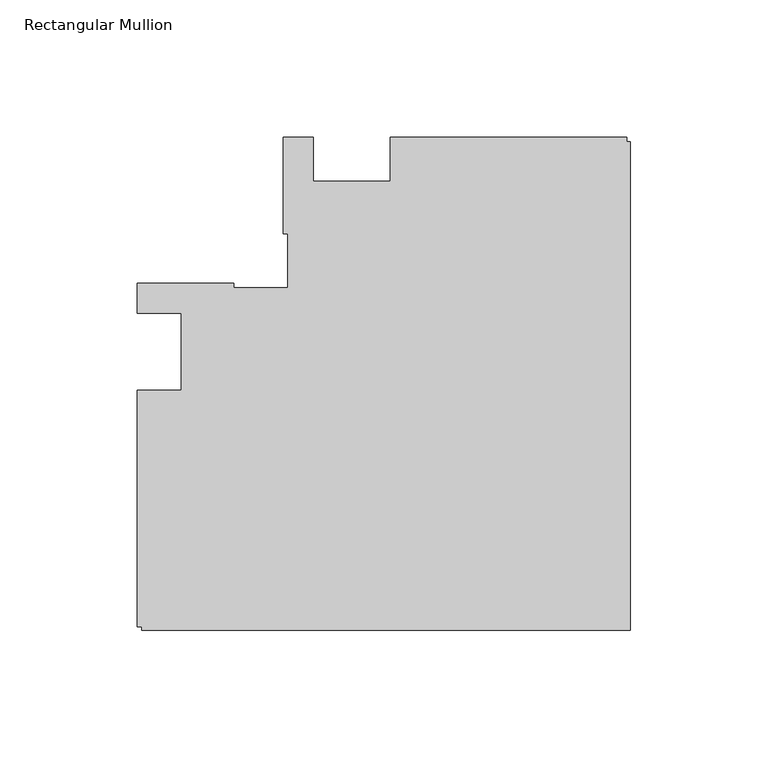
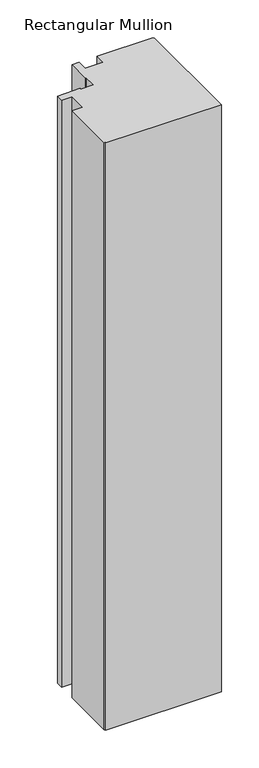
"""IFC4 building model written with IfcOpenShell, lengths in millimetres: member geometry, Rectangular Mullion."""

import ifcopenshell
import ifcopenshell.guid

model = None  # the IFC model being written
_history = None  # IfcOwnerHistory: only IFC2X3 demands one
_inside = {}  # id of a spatial element -> (the spatial element, [elements in it])
_under = {}  # id of a project, library or spatial element -> (it, [spatial elements below it])
_declared = {}  # id of a project -> (the project, [libraries it declares])
_typed = {}  # id of a type object -> (the type object, [elements of that type])
_made_of = {}  # id of a material, layer set ... -> (it, [elements and type objects made of it])


def new_model(schema):
    """Start an empty IFC model of exactly this schema.

    Asked for "IFC4X3", IfcOpenShell would pick the latest addendum, in which some entities
    have other attributes; the version numbers below select the first issue.
    IFC2X3 requires an IfcOwnerHistory on every rooted entity: one is made here for all.
    """
    global model, _history
    if schema == "IFC4X3":
        model = ifcopenshell.file(schema_version=(4, 3, 0, 0))
    else:
        model = ifcopenshell.file(schema=schema)
    _inside.clear()
    _under.clear()
    _declared.clear()
    _typed.clear()
    _made_of.clear()
    _history = None
    if model.schema == "IFC2X3":
        org = make("IfcOrganization", Name="unknown")
        user = make(
            "IfcPersonAndOrganization",
            ThePerson=make("IfcPerson", FamilyName="unknown"),
            TheOrganization=org,
        )
        app = make(
            "IfcApplication",
            ApplicationDeveloper=org,
            Version="unknown",
            ApplicationFullName="unknown",
            ApplicationIdentifier="unknown",
        )
        _history = make(
            "IfcOwnerHistory",
            OwningUser=user,
            OwningApplication=app,
            ChangeAction="ADDED",
            CreationDate=0,
        )
    return model


def make(cls, **values):
    """One entity of the class cls with the attributes given. An attribute that is None is left unset."""
    return model.create_entity(
        cls, **{name: value for name, value in values.items() if value is not None}
    )


def rooted(cls, **values):
    """An entity with a GlobalId (a new one), such as an element, a storey or a relation."""
    return make(cls, GlobalId=ifcopenshell.guid.new(), OwnerHistory=_history, **values)


def si_unit(unit_type, name, prefix=None):
    """IfcSIUnit, for example si_unit("LENGTHUNIT", "METRE", prefix="MILLI")."""
    return make("IfcSIUnit", UnitType=unit_type, Prefix=prefix, Name=name)


def assignment(units):
    """IfcUnitAssignment: the units of a project."""
    return None if units is None else make("IfcUnitAssignment", Units=units)


def point(xyz):
    """IfcCartesianPoint."""
    return None if xyz is None else make("IfcCartesianPoint", Coordinates=xyz)


def direction(xyz):
    """IfcDirection."""
    return None if xyz is None else make("IfcDirection", DirectionRatios=xyz)


def frame(location, z_axis=None, x_axis=None):
    """IfcAxis2Placement3D, a coordinate frame: its origin and axes. An axis left out is left unset."""
    return make(
        "IfcAxis2Placement3D",
        Location=point(location),
        Axis=direction(z_axis),
        RefDirection=direction(x_axis),
    )


def origin():
    """The frame at (0, 0, 0) with its axes left unset."""
    return frame((0.0, 0.0, 0.0))


def place(relative_to, where):
    """IfcLocalPlacement: puts the frame where relative to a parent placement (None: the world)."""
    return make(
        "IfcLocalPlacement", PlacementRelTo=relative_to, RelativePlacement=where
    )


def context(
    kind, dimensions, precision=None, world=None, true_north=None, identifier=None
):
    """IfcGeometricRepresentationContext, for example the 3D "Model" context."""
    return make(
        "IfcGeometricRepresentationContext",
        ContextIdentifier=identifier,
        ContextType=kind,
        CoordinateSpaceDimension=dimensions,
        Precision=precision,
        WorldCoordinateSystem=world,
        TrueNorth=true_north,
    )


def project(units=None, contexts=None):
    """IfcProject with its units and contexts."""
    return rooted(
        "IfcProject",
        Name="project",
        RepresentationContexts=contexts,
        UnitsInContext=assignment(units),
    )


def spatial(cls, under=None, at=None, **own):
    """A site, building, storey or space (cls), placed at a placement, below another one or the project."""
    s = rooted(cls, ObjectPlacement=at, **own)
    if under is not None:
        _under.setdefault(under.id(), (under, []))[1].append(s)
    return s


def polyline(points):
    """IfcPolyline through the points."""
    return make("IfcPolyline", Points=[point(p) for p in points])


def outline(outer, holes=None, kind="AREA"):
    """IfcArbitraryClosedProfileDef: a profile drawn as a closed curve; with holes, ...WithVoids."""
    if holes is None:
        return make("IfcArbitraryClosedProfileDef", ProfileType=kind, OuterCurve=outer)
    return make(
        "IfcArbitraryProfileDefWithVoids",
        ProfileType=kind,
        OuterCurve=outer,
        InnerCurves=holes,
    )


def extrude(swept, where, along, depth):
    """IfcExtrudedAreaSolid: the profile swept, set in the frame where, extruded along a direction by depth."""
    return make(
        "IfcExtrudedAreaSolid",
        SweptArea=swept,
        Position=where,
        ExtrudedDirection=direction(along),
        Depth=depth,
    )


def shape(context_of_items, identifier, shape_type, items):
    """IfcShapeRepresentation: the items that make up one representation, for example the "Body"."""
    return make(
        "IfcShapeRepresentation",
        ContextOfItems=context_of_items,
        RepresentationIdentifier=identifier,
        RepresentationType=shape_type,
        Items=items,
    )


def source(mapping_origin, context_of_items, identifier, shape_type, items):
    """IfcRepresentationMap: a shape defined once, which mapped items show again and again."""
    return make(
        "IfcRepresentationMap",
        MappingOrigin=mapping_origin,
        MappedRepresentation=shape(context_of_items, identifier, shape_type, items),
    )


def transform(
    local_origin,
    x_axis=None,
    y_axis=None,
    z_axis=None,
    scale=None,
    scale2=None,
    scale3=None,
    uniform=True,
):
    """IfcCartesianTransformationOperator3D, or its non-uniform kind. x_axis, y_axis, z_axis: its Axis1, 2, 3."""
    if uniform:
        return make(
            "IfcCartesianTransformationOperator3D",
            Axis1=direction(x_axis),
            Axis2=direction(y_axis),
            LocalOrigin=point(local_origin),
            Scale=scale,
            Axis3=direction(z_axis),
        )
    return make(
        "IfcCartesianTransformationOperator3DnonUniform",
        Axis1=direction(x_axis),
        Axis2=direction(y_axis),
        LocalOrigin=point(local_origin),
        Scale=scale,
        Axis3=direction(z_axis),
        Scale2=scale2,
        Scale3=scale3,
    )


def mapped(mapping_source, mapping_target):
    """IfcMappedItem: shows the shape of a source again, moved by a transform."""
    return make(
        "IfcMappedItem", MappingSource=mapping_source, MappingTarget=mapping_target
    )


def made_of(thing, what):
    """Note that an element or type object is made of a material, layer set ...; save() writes the relation."""
    if what is not None:
        _made_of.setdefault(what.id(), (what, []))[1].append(thing)
    return thing


def element(
    cls,
    number,
    at=None,
    inside=None,
    cuts=None,
    type_object=None,
    material=None,
    context=None,
    identifier="Body",
    shape_type=None,
    held_by="IfcProductDefinitionShape",
    body=None,
    shapes=None,
    **own,
):
    """One element of the class cls, such as IfcWall. Its Tag is "e" and its number.

    at: its placement. inside: the storey or other place that contains it. cuts: it is an
    opening in that element (IfcRelVoidsElement). A single representation is given by context,
    identifier, shape_type and body (its items); several are given by shapes. held_by: the class
    of the entity that holds the representations. save() writes the other relations.
    """
    e = rooted(cls, Tag="e%d" % number, ObjectPlacement=at, **own)
    if body is not None:
        shapes = [shape(context, identifier, shape_type, body)]
    if shapes is not None:
        e.Representation = make(held_by, Representations=shapes)
    if inside is not None:
        _inside.setdefault(inside.id(), (inside, []))[1].append(e)
    if cuts is not None:
        rooted(
            "IfcRelVoidsElement", RelatingBuildingElement=cuts, RelatedOpeningElement=e
        )
    if type_object is not None:
        _typed.setdefault(type_object.id(), (type_object, []))[1].append(e)
    return made_of(e, material)


def aggregate(whole, parts):
    """IfcRelAggregates: a whole, such as a stair, and the parts it consists of."""
    return rooted("IfcRelAggregates", RelatingObject=whole, RelatedObjects=parts)


def save(model, path):
    """Write the relations noted so far, then the file.

    IfcRelAggregates (storeys below a building ...), IfcRelContainedInSpatialStructure (elements
    in a storey), IfcRelDefinesByType, IfcRelAssociatesMaterial and IfcRelDeclares: one each for
    every whole, place, type object, material and project.
    """
    for whole, parts in _under.values():
        aggregate(whole, parts)
    for where, things in _inside.values():
        rooted(
            "IfcRelContainedInSpatialStructure",
            RelatedElements=things,
            RelatingStructure=where,
        )
    for kind, things in _typed.values():
        rooted("IfcRelDefinesByType", RelatedObjects=things, RelatingType=kind)
    for what, things in _made_of.values():
        rooted("IfcRelAssociatesMaterial", RelatedObjects=things, RelatingMaterial=what)
    for by, libraries in _declared.values():
        rooted("IfcRelDeclares", RelatingContext=by, RelatedDefinitions=libraries)
    model.write(path)


def rectangular_mullion_c903334d(model_context):
    return source(origin(), model_context, "Body", "SweptSolid", [
        extrude(outline(polyline([(-179.1817613, -13.9960563), (-163.1817351, -13.9960563), (-163.1817351, 14.0038344), (-179.1817351, 14.0038344), (-179.1817351, 25.0038344), (-144.1817351, 25.0038344), (-144.1817351, 23.3186203), (-124.518731, 23.3186203), (-124.518731, 42.9816243), (-126.2039451, 42.9816243), (-126.2039451, 77.9816506), (-115.2040012, 77.9816506), (-115.2040012, 61.9816243), (-87.2040012, 61.9816243), (-87.2040012, 77.9816506), (-1.2039451, 77.9816506), (-1.2039451, 76.4884533), (0.0, 76.4884533), (0.0, -101.2001107), (-177.7039408, -101.2001107), (-177.7039408, -100.0001107), (-179.1817613, -100.0001107), (-179.1817613, -13.9960563)])), frame((0.0, 0.0, -953.6595328), z_axis=(0.0, 0.0, 1.0), x_axis=(1.0, 0.0, 0.0)), (0.0, 0.0, 1.0), 953.6595328),
    ])


if __name__ == "__main__":
    model = new_model("IFC4")
    model_context = context("Model", 3, world=origin())
    ifc_project = project(units=[si_unit("LENGTHUNIT", "METRE", prefix="MILLI")], contexts=[model_context])
    site = spatial("IfcSite", under=ifc_project)
    building = spatial("IfcBuilding", under=site)
    placement = place(None, origin())
    rectangular_mullion_shape = rectangular_mullion_c903334d(model_context)
    element("IfcMember", 1, ObjectType="Rectangular Mullion", at=placement, inside=building, context=model_context, shape_type="MappedRepresentation", body=[
        mapped(rectangular_mullion_shape, transform((0.0, 0.0, 0.0), x_axis=(1.0, 0.0, 0.0), y_axis=(0.0, 1.0, 0.0), z_axis=(0.0, 0.0, 1.0))),
    ])
    save(model, "model.ifc")
